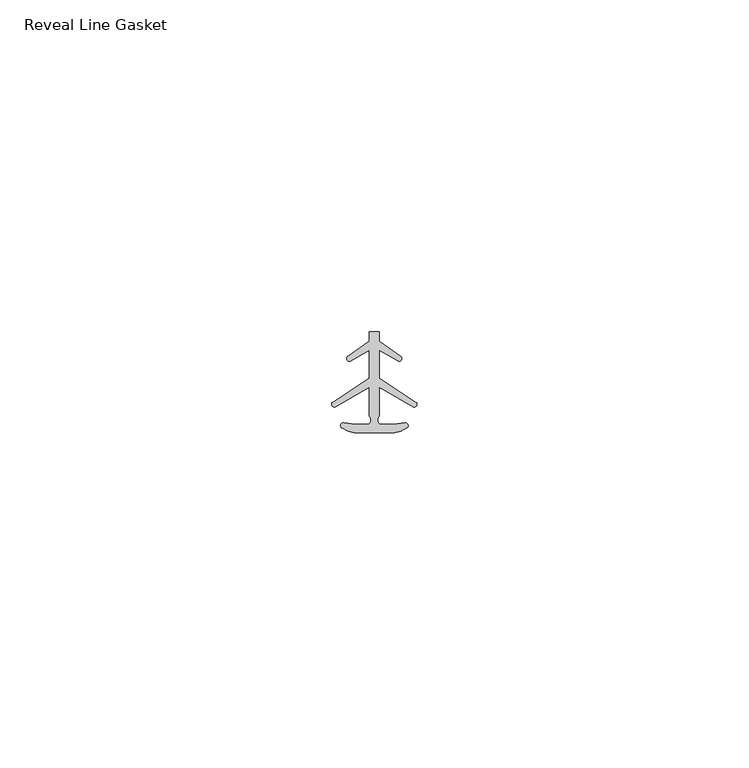
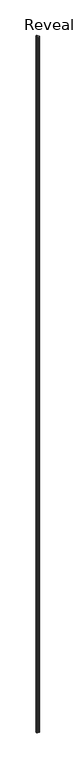
"""IFC4 building model written with IfcOpenShell, lengths in millimetres: proxy geometry, Reveal Line Gasket."""

from ifc_helpers import new_model, si_unit, point, frame, frame_2d, origin, place, context, project, spatial, polyline, circle_curve, trimmed, segment, composite_curve, outline, extrude, source, transform, mapped, element, save


def reveal_line_gasket_56e0f3a5(model_context):
    return source(origin(), model_context, "Body", "SweptSolid", [
        extrude(outline(composite_curve([segment(polyline([(2.999107, -7.6326998), (-3.000893, -7.6326998), (-3.9563857, -7.4091917), (-4.8893614, -6.8813059)]), True, "CONTINUOUS"), segment(trimmed(circle_curve(frame_2d((-4.6873723, -6.5243141)), 0.4101739), [point((-4.8893614, -6.8813059))], [point((-4.5950277, -6.1246704))], False, "CARTESIAN"), True, "CONTINUOUS"), segment(polyline([(-4.5950277, -6.1246704), (-2.8988015, -6.3626997), (-0.8663457, -6.3626997)]), True, "CONTINUOUS"), segment(trimmed(circle_curve(frame_2d((-1.2828188, -5.6959605)), 0.786124), [point((-0.8663457, -6.3626997))], [point((-0.778768, -5.0926996))], True, "CARTESIAN"), True, "CONTINUOUS"), segment(polyline([(-0.778768, -5.0926996), (-0.778768, -0.7492996), (-5.9404224, -3.7293824)]), True, "CONTINUOUS"), segment(trimmed(circle_curve(frame_2d((-6.0058691, -3.3132479)), 0.4212495), [point((-5.9404224, -3.7293824))], [point((-6.3335288, -3.0485022))], False, "CARTESIAN"), True, "CONTINUOUS"), segment(polyline([(-6.3335288, -3.0485022), (-0.778768, 0.5742594), (-0.778768, 4.8262978), (-3.6544226, 3.1660374)]), True, "CONTINUOUS"), segment(trimmed(circle_curve(frame_2d((-3.7127785, 3.5978728)), 0.4357605), [point((-3.6544226, 3.1660374))], [point((-4.0575811, 3.864328))], False, "CARTESIAN"), True, "CONTINUOUS"), segment(polyline([(-4.0575811, 3.864328), (-0.778768, 6.1944059), (-0.778768, 7.6326998), (0.7769821, 7.6326998), (0.7769821, 6.1944059), (4.0557951, 3.864328)]), True, "CONTINUOUS"), segment(trimmed(circle_curve(frame_2d((3.7109925, 3.5978728)), 0.4357605), [point((4.0557951, 3.864328))], [point((3.6526367, 3.1660374))], False, "CARTESIAN"), True, "CONTINUOUS"), segment(polyline([(3.6526367, 3.1660374), (0.7769821, 4.8262978), (0.7769821, 0.5742594), (6.3317429, -3.0485022)]), True, "CONTINUOUS"), segment(trimmed(circle_curve(frame_2d((6.0040832, -3.3132479)), 0.4212495), [point((6.3317429, -3.0485022))], [point((5.9386365, -3.7293824))], False, "CARTESIAN"), True, "CONTINUOUS"), segment(polyline([(5.9386365, -3.7293824), (0.7769821, -0.7492996), (0.7769821, -5.0926996)]), True, "CONTINUOUS"), segment(trimmed(circle_curve(frame_2d((1.2810328, -5.6959605)), 0.786124), [point((0.7769821, -5.0926996))], [point((0.8645598, -6.3626997))], True, "CARTESIAN"), True, "CONTINUOUS"), segment(polyline([(0.8645598, -6.3626997), (2.8970156, -6.3626997), (4.5932418, -6.1246704)]), True, "CONTINUOUS"), segment(trimmed(circle_curve(frame_2d((4.6855864, -6.5243141)), 0.4101739), [point((4.5932418, -6.1246704))], [point((4.8875754, -6.8813059))], False, "CARTESIAN"), True, "CONTINUOUS"), segment(polyline([(4.8875754, -6.8813059), (3.9545998, -7.4091917), (2.999107, -7.6326998)]), True, "CONTINUOUS")], self_intersect=False)), frame((0.0, 0.0, 84.836), z_axis=(0.0, 0.0, 1.0), x_axis=(1.0, 0.0, 0.0)), (0.0, 0.0, 1.0), 2953.7556989),
    ])


if __name__ == "__main__":
    model = new_model("IFC4")
    model_context = context("Model", 3, world=origin())
    ifc_project = project(units=[si_unit("LENGTHUNIT", "METRE", prefix="MILLI")], contexts=[model_context])
    site = spatial("IfcSite", under=ifc_project)
    building = spatial("IfcBuilding", under=site)
    placement = place(None, origin())
    reveal_line_gasket_shape = reveal_line_gasket_56e0f3a5(model_context)
    element("IfcBuildingElementProxy", 1, Name="Reveal Line Gasket", ObjectType="Reveal Line Gasket", at=placement, inside=building, context=model_context, shape_type="MappedRepresentation", body=[
        mapped(reveal_line_gasket_shape, transform((0.0, 0.0, 0.0), x_axis=(1.0, 0.0, 0.0), y_axis=(0.0, 1.0, 0.0), z_axis=(0.0, 0.0, 1.0))),
    ])
    save(model, "model.ifc")
